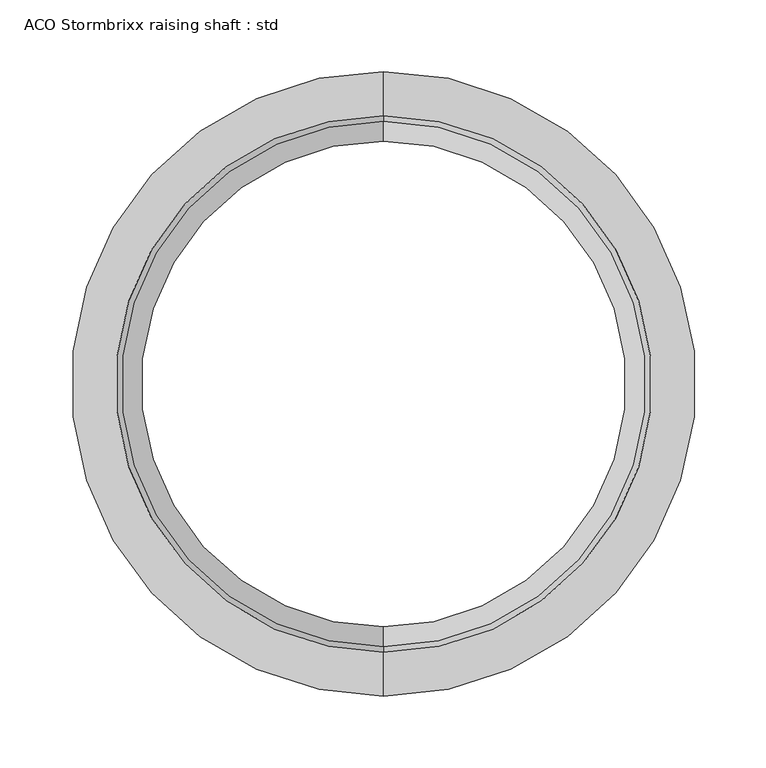
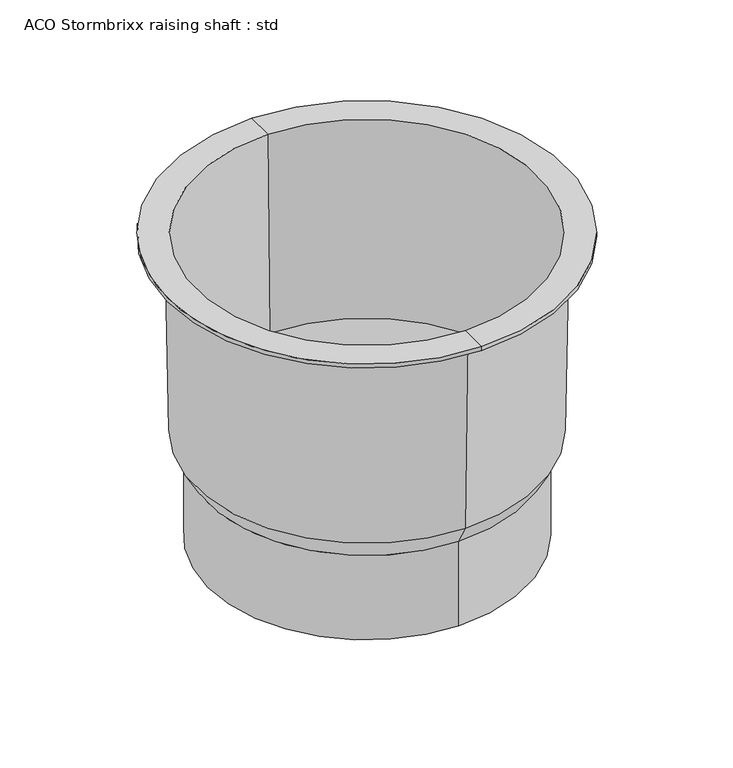
"""IFC4 building model written with IfcOpenShell, lengths in millimetres: unitary equipment geometry, ACO Stormbrixx raising shaft : std."""

from ifc_helpers import new_model, si_unit, frame, origin, place, context, project, spatial, polyline, circle_curve, source, transform, mapped, element, save
from ifc_brep_helpers import plane_surface, cylinder_surface, revolved_surface, advanced_brep


def aco_stormbrixx_raising_shaft_std_7b9c68ae(model_context):
    return source(origin(), model_context, "Body", "AdvancedBrep", [
        advanced_brep(
        [(0.0, 169.5, -97.5362809), (0.0, -169.5, -97.5362809), (0.0, -169.5, 1.2057714), (0.0, 169.5, 1.2057714), (0.0, 174.0, -97.5362809), (0.0, -174.0, -97.5362809), (0.0, 174.0, 0.0), (0.0, -174.0, 0.0), (0.0, 187.7533964, 23.8215814), (0.0, -187.7533964, 23.8215814), (0.0, 191.665812, 247.9637191), (0.0, -191.665812, 247.9637191), (0.0, 218.0, 247.9637191), (0.0, -218.0, 247.9637191), (0.0, 218.0, 252.4137191), (0.0, -218.0, 252.4137191), (0.0, 187.2428016, 252.4137191), (0.0, -187.2428016, 252.4137191), (0.0, 183.2743925, 25.0637191), (0.0, -183.2743925, 25.0637191)],
        [
            (0, 1, circle_curve(frame((0.0, 0.0, -97.5362809), z_axis=(0.0, 0.0, -1.0), x_axis=(0.0, -1.0, 0.0)), 169.5)),
            (1, 2),
            (2, 3, circle_curve(frame((0.0, 0.0, 1.2057714), z_axis=(0.0, 0.0, 1.0), x_axis=(0.0, -1.0, 0.0)), 169.5)),
            (3, 0),
            (1, 0, circle_curve(frame((0.0, 0.0, -97.5362809), z_axis=(0.0, 0.0, -1.0), x_axis=(0.0, -1.0, 0.0)), 169.5)),
            (3, 2, circle_curve(frame((0.0, 0.0, 1.2057714), z_axis=(0.0, 0.0, 1.0), x_axis=(0.0, -1.0, 0.0)), 169.5)),
            (4, 5, circle_curve(frame((0.0, 0.0, -97.5362809), z_axis=(0.0, 0.0, -1.0), x_axis=(0.0, -1.0, 0.0)), 174.0)),
            (5, 1),
            (0, 4),
            (5, 4, circle_curve(frame((0.0, 0.0, -97.5362809), z_axis=(0.0, 0.0, -1.0), x_axis=(0.0, -1.0, 0.0)), 174.0)),
            (6, 7, circle_curve(frame((0.0, 0.0, 0.0), z_axis=(0.0, 0.0, -1.0), x_axis=(0.0, -1.0, 0.0)), 174.0)),
            (7, 5),
            (4, 6),
            (7, 6, circle_curve(frame((0.0, 0.0, 0.0), z_axis=(0.0, 0.0, -1.0), x_axis=(0.0, -1.0, 0.0)), 174.0)),
            (8, 9, circle_curve(frame((0.0, 0.0, 23.8215814), z_axis=(0.0, 0.0, -1.0), x_axis=(0.0, -1.0, 0.0)), 187.7533964)),
            (9, 7),
            (6, 8),
            (9, 8, circle_curve(frame((0.0, 0.0, 23.8215814), z_axis=(0.0, 0.0, -1.0), x_axis=(0.0, -1.0, 0.0)), 187.7533964)),
            (10, 11, circle_curve(frame((0.0, 0.0, 247.9637191), z_axis=(0.0, 0.0, -1.0), x_axis=(0.0, -1.0, 0.0)), 191.665812)),
            (11, 9),
            (8, 10),
            (11, 10, circle_curve(frame((0.0, 0.0, 247.9637191), z_axis=(0.0, 0.0, -1.0), x_axis=(0.0, -1.0, 0.0)), 191.665812)),
            (12, 13, circle_curve(frame((0.0, 0.0, 247.9637191), z_axis=(0.0, 0.0, -1.0), x_axis=(0.0, -1.0, 0.0)), 218.0)),
            (13, 11),
            (10, 12),
            (13, 12, circle_curve(frame((0.0, 0.0, 247.9637191), z_axis=(0.0, 0.0, -1.0), x_axis=(0.0, -1.0, 0.0)), 218.0)),
            (14, 15, circle_curve(frame((0.0, 0.0, 252.4137191), z_axis=(0.0, 0.0, -1.0), x_axis=(0.0, -1.0, 0.0)), 218.0)),
            (15, 13),
            (12, 14),
            (15, 14, circle_curve(frame((0.0, 0.0, 252.4137191), z_axis=(0.0, 0.0, -1.0), x_axis=(0.0, -1.0, 0.0)), 218.0)),
            (16, 17, circle_curve(frame((0.0, 0.0, 252.4137191), z_axis=(0.0, 0.0, -1.0), x_axis=(0.0, -1.0, 0.0)), 187.2428016)),
            (17, 15),
            (14, 16),
            (17, 16, circle_curve(frame((0.0, 0.0, 252.4137191), z_axis=(0.0, 0.0, -1.0), x_axis=(0.0, -1.0, 0.0)), 187.2428016)),
            (18, 19, circle_curve(frame((0.0, 0.0, 25.0637191), z_axis=(0.0, 0.0, -1.0), x_axis=(0.0, -1.0, 0.0)), 183.2743925)),
            (19, 17),
            (16, 18),
            (19, 18, circle_curve(frame((0.0, 0.0, 25.0637191), z_axis=(0.0, 0.0, -1.0), x_axis=(0.0, -1.0, 0.0)), 183.2743925)),
            (2, 19),
            (18, 3),
        ],
        [
            revolved_surface(polyline([(0.0, -169.5, 1.2057714000000033), (0.0, -169.5, -97.5362809)]), (0.0, 0.0, -178.8362809), (0.0, 0.0, 1.0)),
            plane_surface(frame((0.0, 0.0, -97.5362809), z_axis=(0.0, 0.0, -1.0), x_axis=(0.0, -1.0, 0.0))),
            cylinder_surface(frame((0.0, 0.0, -178.8362809), z_axis=(0.0, 0.0, 1.0), x_axis=(0.0, -1.0, 0.0)), 174.0),
            revolved_surface(polyline([(0.0, -174.0, 0.0), (0.0, -187.7533964, 23.8215814)]), (0.0, 0.0, -178.8362809), (0.0, 0.0, 1.0)),
            revolved_surface(polyline([(0.0, -187.7533964, 23.8215814), (0.0, -191.665812, 247.9637191)]), (0.0, 0.0, -178.8362809), (0.0, 0.0, 1.0)),
            plane_surface(frame((0.0, 0.0, 247.9637191), z_axis=(0.0, 0.0, -1.0), x_axis=(0.0, -1.0, 0.0))),
            cylinder_surface(frame((0.0, 0.0, -178.8362809), z_axis=(0.0, 0.0, 1.0), x_axis=(0.0, -1.0, 0.0)), 218.0),
            plane_surface(frame((0.0, 0.0, 252.4137191), z_axis=(0.0, 0.0, 1.0), x_axis=(0.0, -1.0, 0.0))),
            revolved_surface(polyline([(0.0, -187.2428016, 252.4137191), (0.0, -183.2743925, 25.0637191)]), (0.0, 0.0, -178.8362809), (0.0, 0.0, 1.0)),
            revolved_surface(polyline([(0.0, -183.2743925, 25.0637191), (0.0, -169.5, 1.2057714)]), (0.0, 0.0, -178.8362809), (0.0, 0.0, 1.0)),
        ],
        [
            (0, [[1, 2, 3, 4]]),
            (0, [[5, -4, 6, -2]]),
            (1, [[7, 8, -1, 9]]),
            (1, [[10, -9, -5, -8]]),
            (2, [[11, 12, -7, 13]]),
            (2, [[14, -13, -10, -12]]),
            (3, [[15, 16, -11, 17]]),
            (3, [[18, -17, -14, -16]]),
            (4, [[19, 20, -15, 21]]),
            (4, [[22, -21, -18, -20]]),
            (5, [[23, 24, -19, 25]]),
            (5, [[26, -25, -22, -24]]),
            (6, [[27, 28, -23, 29]]),
            (6, [[30, -29, -26, -28]]),
            (7, [[31, 32, -27, 33]]),
            (7, [[34, -33, -30, -32]]),
            (8, [[35, 36, -31, 37]]),
            (8, [[38, -37, -34, -36]]),
            (9, [[-3, 39, -35, 40]]),
            (9, [[-6, -40, -38, -39]]),
        ],
    ),
    ])


if __name__ == "__main__":
    model = new_model("IFC4")
    model_context = context("Model", 3, world=origin())
    ifc_project = project(units=[si_unit("LENGTHUNIT", "METRE", prefix="MILLI")], contexts=[model_context])
    site = spatial("IfcSite", under=ifc_project)
    building = spatial("IfcBuilding", under=site)
    placement = place(None, origin())
    aco_stormbrixx_raising_shaft_std_shape = aco_stormbrixx_raising_shaft_std_7b9c68ae(model_context)
    element("IfcUnitaryEquipment", 1, ObjectType="ACO Stormbrixx raising shaft : std", at=placement, inside=building, context=model_context, shape_type="MappedRepresentation", body=[
        mapped(aco_stormbrixx_raising_shaft_std_shape, transform((0.0, 0.0, 0.0), x_axis=(1.0, 0.0, 0.0), y_axis=(0.0, 1.0, 0.0), z_axis=(0.0, 0.0, 1.0))),
    ])
    save(model, "model.ifc")
